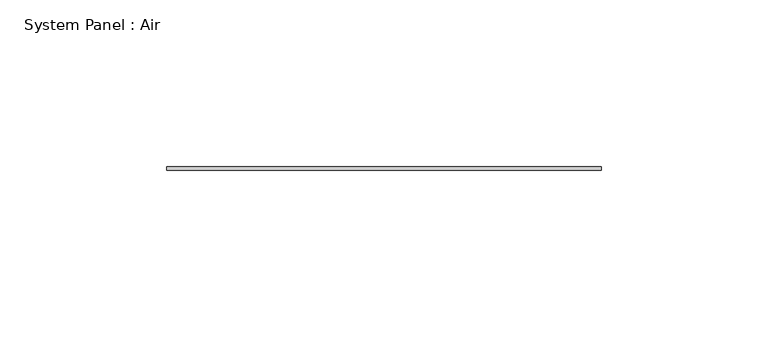
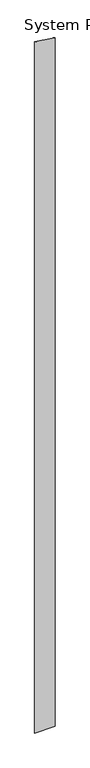
"""IFC4 building model written with IfcOpenShell, lengths in millimetres: plate geometry, System Panel : Air."""

from ifc_helpers import new_model, si_unit, frame, origin, place, context, project, spatial, polyline, outline, extrude, source, transform, mapped, element, save


def system_panel_air_4ddf0109(model_context):
    return source(origin(), model_context, "Body", "SweptSolid", [
        extrude(outline(polyline([(0.0, -65.0), (0.0, 65.0), (4622.592541, 65.0), (4641.8372559, -65.0), (0.0, -65.0)])), frame((0.0, 36.5, 0.0), z_axis=(0.0, 1.0, 0.0), x_axis=(0.0, 0.0, 1.0)), (0.0, 0.0, 1.0), 1.0),
    ])


if __name__ == "__main__":
    model = new_model("IFC4")
    model_context = context("Model", 3, world=origin())
    ifc_project = project(units=[si_unit("LENGTHUNIT", "METRE", prefix="MILLI")], contexts=[model_context])
    site = spatial("IfcSite", under=ifc_project)
    building = spatial("IfcBuilding", under=site)
    placement = place(None, origin())
    system_panel_air_shape = system_panel_air_4ddf0109(model_context)
    element("IfcPlate", 1, ObjectType="System Panel : Air", at=placement, inside=building, context=model_context, shape_type="MappedRepresentation", body=[
        mapped(system_panel_air_shape, transform((0.0, 0.0, 0.0), x_axis=(1.0, 0.0, 0.0), y_axis=(0.0, 1.0, 0.0), z_axis=(0.0, 0.0, 1.0))),
    ])
    save(model, "model.ifc")
